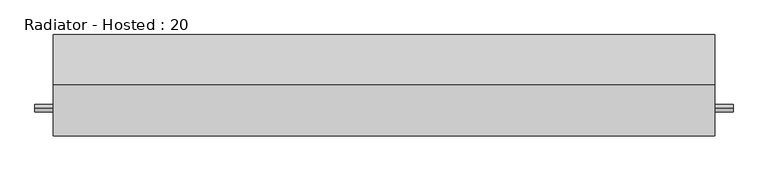
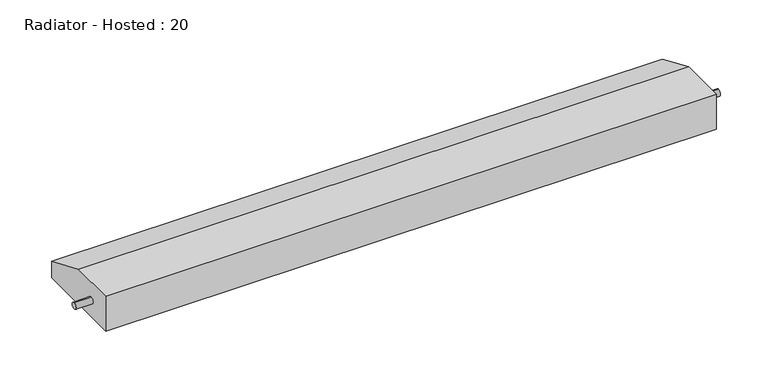
"""IFC4 building model written with IfcOpenShell, lengths in millimetres: proxy geometry, Radiator - Hosted : 20."""

from ifc_helpers import new_model, si_unit, frame, origin, place, context, project, spatial, circle_curve, source, transform, mapped, element, save
from ifc_brep_helpers import plane_surface, cylinder_surface, advanced_brep


def radiator_hosted_20_f1613ed5(model_context):
    return source(origin(), model_context, "Body", "AdvancedBrep", [
        advanced_brep(
        [(915.0, 280.0, 0.0), (915.0, 280.0, 52.3875), (915.0, 141.8875, 111.125), (915.0, 0.0, 111.125), (915.0, 0.0, 0.0), (915.0, 76.2, 42.3875), (915.0, 76.2, 62.3875), (-915.0, 280.0, 0.0), (-915.0, 0.0, 0.0), (-915.0, 0.0, 111.125), (-915.0, 141.8875, 111.125), (-915.0, 280.0, 52.3875), (-915.0, 76.2, 62.3875), (-915.0, 76.2, 42.3875), (-965.8, 76.2, 42.3875), (-965.8, 76.2, 62.3875), (965.8, 76.2, 42.3875), (965.8, 76.2, 62.3875)],
        [
            (0, 1),
            (1, 2),
            (2, 3),
            (3, 4),
            (4, 0),
            (5, 6, circle_curve(frame((915.0, 76.2, 52.3875), z_axis=(-1.0, 0.0, 0.0), x_axis=(0.0, 0.0, 1.0)), 10.0)),
            (6, 5, circle_curve(frame((915.0, 76.2, 52.3875), z_axis=(-1.0, 0.0, 0.0), x_axis=(0.0, 0.0, 1.0)), 10.0)),
            (7, 8),
            (8, 9),
            (9, 10),
            (10, 11),
            (11, 7),
            (12, 13, circle_curve(frame((-915.0, 76.2, 52.3875), z_axis=(1.0, 0.0, 0.0), x_axis=(0.0, 0.0, 1.0)), 10.0)),
            (13, 12, circle_curve(frame((-915.0, 76.2, 52.3875), z_axis=(1.0, 0.0, 0.0), x_axis=(0.0, 0.0, 1.0)), 10.0)),
            (0, 7),
            (11, 1),
            (10, 2),
            (9, 3),
            (8, 4),
            (14, 15, circle_curve(frame((-965.8, 76.2, 52.3875), z_axis=(-1.0, 0.0, 0.0), x_axis=(0.0, 0.0, 1.0)), 10.0)),
            (15, 14, circle_curve(frame((-965.8, 76.2, 52.3875), z_axis=(-1.0, 0.0, 0.0), x_axis=(0.0, 0.0, 1.0)), 10.0)),
            (16, 17, circle_curve(frame((965.8, 76.2, 52.3875), z_axis=(1.0, 0.0, 0.0), x_axis=(0.0, 0.0, 1.0)), 10.0)),
            (17, 16, circle_curve(frame((965.8, 76.2, 52.3875), z_axis=(1.0, 0.0, 0.0), x_axis=(0.0, 0.0, 1.0)), 10.0)),
            (14, 13),
            (12, 15),
            (17, 6),
            (5, 16),
        ],
        [
            plane_surface(frame((915.0, 280.0, 0.0), z_axis=(1.0, 0.0, 0.0), x_axis=(0.0, 0.0, 1.0))),
            plane_surface(frame((-915.0, 280.0, 0.0), z_axis=(-1.0, 0.0, 0.0), x_axis=(0.0, 0.0, -1.0))),
            plane_surface(frame((915.0, 280.0, 0.0), z_axis=(0.0, 1.0, 0.0), x_axis=(-1.0, 0.0, 0.0))),
            plane_surface(frame((915.0, 280.0, 52.3875), z_axis=(0.0, 0.3913646080488335, 0.9202357000066793), x_axis=(-1.0, 0.0, 0.0))),
            plane_surface(frame((915.0, 141.8875, 111.125), z_axis=(0.0, 0.0, 1.0), x_axis=(-1.0, 0.0, 0.0))),
            plane_surface(frame((915.0, 0.0, 111.125), z_axis=(0.0, -1.0, 0.0), x_axis=(-1.0, 0.0, 0.0))),
            plane_surface(frame((915.0, 0.0, 0.0), z_axis=(0.0, 0.0, -1.0), x_axis=(-1.0, 0.0, 0.0))),
            plane_surface(frame((-965.8, 76.2, 62.3875), z_axis=(-1.0, 0.0, 0.0), x_axis=(0.0, 1.0, 0.0))),
            plane_surface(frame((965.8, 76.2, 62.3875), z_axis=(1.0, 0.0, 0.0), x_axis=(0.0, -1.0, 0.0))),
            cylinder_surface(frame((965.8, 76.2, 52.3875), z_axis=(-1.0, 0.0, 0.0), x_axis=(0.0, 0.0, 1.0)), 10.0),
        ],
        [
            (0, [[1, 2, 3, 4, 5], [6, 7]]),
            (1, [[8, 9, 10, 11, 12], [13, 14]]),
            (2, [[-1, 15, -12, 16]]),
            (3, [[-2, -16, -11, 17]]),
            (4, [[-3, -17, -10, 18]]),
            (5, [[-4, -18, -9, 19]]),
            (6, [[-5, -19, -8, -15]]),
            (7, [[20, 21]]),
            (8, [[22, 23]]),
            (9, [[-20, 24, -13, 25]]),
            (9, [[-23, 26, -6, 27]]),
            (9, [[-21, -25, -14, -24]]),
            (9, [[-22, -27, -7, -26]]),
        ],
    ),
    ])


if __name__ == "__main__":
    model = new_model("IFC4")
    model_context = context("Model", 3, world=origin())
    ifc_project = project(units=[si_unit("LENGTHUNIT", "METRE", prefix="MILLI")], contexts=[model_context])
    site = spatial("IfcSite", under=ifc_project)
    building = spatial("IfcBuilding", under=site)
    placement = place(None, origin())
    radiator_hosted_20_shape = radiator_hosted_20_f1613ed5(model_context)
    element("IfcBuildingElementProxy", 1, Name="Radiator - Hosted : 20", ObjectType="Radiator - Hosted : 20", at=placement, inside=building, context=model_context, shape_type="MappedRepresentation", body=[
        mapped(radiator_hosted_20_shape, transform((0.0, 0.0, 0.0), x_axis=(1.0, 0.0, 0.0), y_axis=(0.0, 1.0, 0.0), z_axis=(0.0, 0.0, 1.0))),
    ])
    save(model, "model.ifc")
